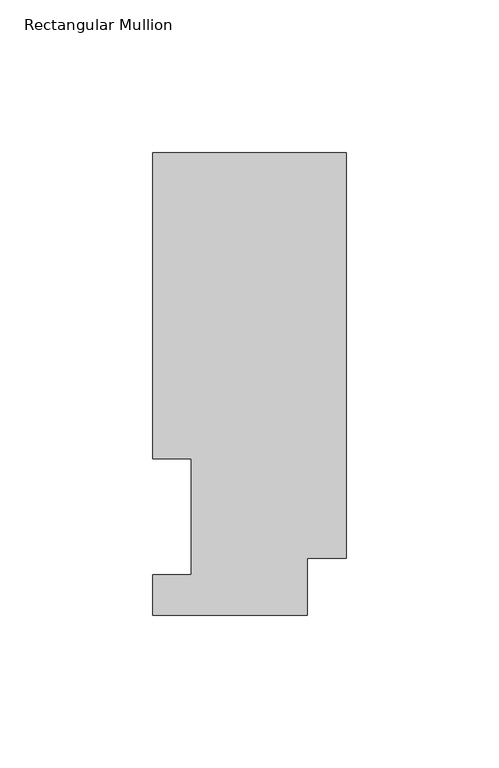
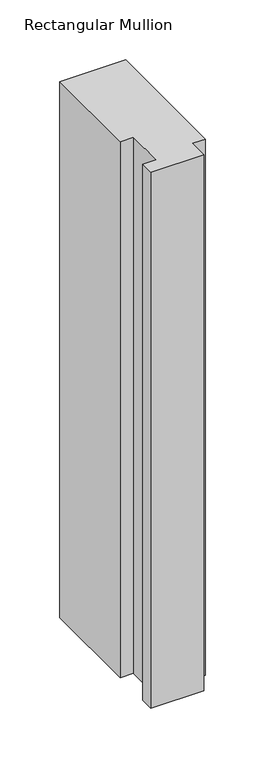
"""IFC4 building model written with IfcOpenShell, lengths in millimetres: member geometry, Rectangular Mullion."""

from ifc_helpers import new_model, si_unit, frame, origin, place, context, project, spatial, polyline, outline, extrude, source, transform, mapped, element, save


def rectangular_mullion_0030c1e5(model_context):
    return source(origin(), model_context, "Body", "SweptSolid", [
        extrude(outline(polyline([(0.0, 151.7022937), (0.0, 18.7332937), (-12.7, 18.7332937), (-12.7, 0.0134937), (-63.5, 0.0134937), (-63.5, 13.1960938), (-50.8, 13.1960938), (-50.8, 51.2960938), (-63.5, 51.2960938), (-63.5, 151.7022937), (0.0, 151.7022937)])), frame((0.0, 0.0, -546.1134938), z_axis=(0.0, 0.0, 1.0), x_axis=(1.0, 0.0, 0.0)), (0.0, 0.0, 1.0), 546.1134938),
    ])


if __name__ == "__main__":
    model = new_model("IFC4")
    model_context = context("Model", 3, world=origin())
    ifc_project = project(units=[si_unit("LENGTHUNIT", "METRE", prefix="MILLI")], contexts=[model_context])
    site = spatial("IfcSite", under=ifc_project)
    building = spatial("IfcBuilding", under=site)
    placement = place(None, origin())
    rectangular_mullion_shape = rectangular_mullion_0030c1e5(model_context)
    element("IfcMember", 1, ObjectType="Rectangular Mullion", at=placement, inside=building, context=model_context, shape_type="MappedRepresentation", body=[
        mapped(rectangular_mullion_shape, transform((0.0, 0.0, 0.0), x_axis=(1.0, 0.0, 0.0), y_axis=(0.0, 1.0, 0.0), z_axis=(0.0, 0.0, 1.0))),
    ])
    save(model, "model.ifc")
